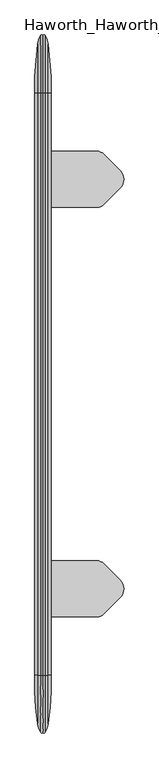
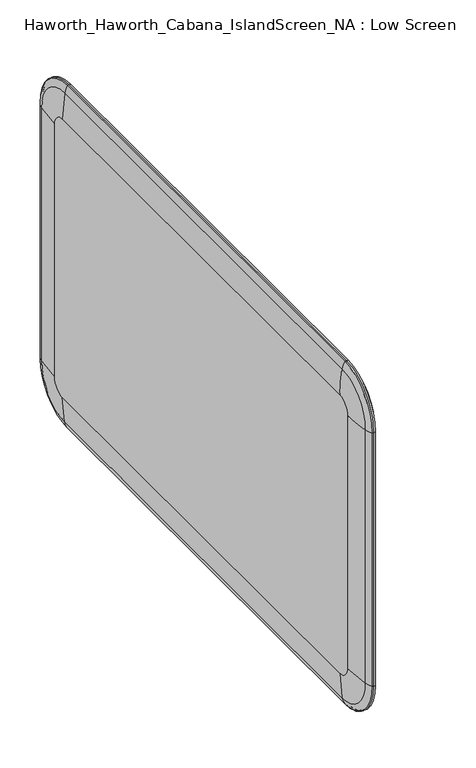
"""IFC4 building model written with IfcOpenShell, lengths in millimetres: furniture geometry, Haworth_Haworth_Cabana_IslandScreen_NA : Low Screen."""

from ifc_helpers import new_model, si_unit, point, frame, frame_2d, origin, place, context, project, spatial, polyline, circle_curve, ellipse_curve, trimmed, segment, composite_curve, outline, extrude, source, transform, mapped, element, save
from ifc_brep_helpers import plane_surface, cylinder_surface, revolved_surface, advanced_brep


def haworth_haworth_cabana_islandscreen_na_low_screen_861580ec(model_context):
    return source(origin(), model_context, "Body", "SolidModel", [
        extrude(outline(composite_curve([segment(polyline([(406.3007813, 779.0924527), (406.3007813, 889.0924245), (512.8600267, 889.0924245)]), True, "CONTINUOUS"), segment(trimmed(circle_curve(frame_2d((512.8600267, 870.0424245)), 19.05), [point((512.8600267, 889.0924245))], [point((526.3304183, 883.5128013))], False, "CARTESIAN"), True, "CONTINUOUS"), segment(polyline([(526.3304183, 883.5128013), (558.9128097, 850.9303744)]), True, "CONTINUOUS"), segment(trimmed(circle_curve(frame_2d((542.0748202, 834.0924033)), 23.8125), [point((558.9128097, 850.9303744))], [point((558.9127913, 817.2544139))], False, "CARTESIAN"), True, "CONTINUOUS"), segment(polyline([(558.9127913, 817.2544139), (526.330403, 784.6720612)]), True, "CONTINUOUS"), segment(trimmed(circle_curve(frame_2d((512.8600261, 798.1424527)), 19.05), [point((526.330403, 784.6720612))], [point((512.8600261, 779.0924527))], False, "CARTESIAN"), True, "CONTINUOUS"), segment(polyline([(512.8600261, 779.0924527), (406.3007813, 779.0924527)]), True, "CONTINUOUS")], self_intersect=False)), frame((0.0, 0.0, 247.6767607), z_axis=(0.0, 0.0, 1.0), x_axis=(1.0, 0.0, 0.0)), (0.0, 0.0, 1.0), 4.5499948),
        extrude(outline(composite_curve([segment(polyline([(406.3007813, 84.5075473), (512.8600261, 84.5075473)]), True, "CONTINUOUS"), segment(trimmed(circle_curve(frame_2d((512.8600261, 65.4575473)), 19.05), [point((512.8600261, 84.5075473))], [point((526.330403, 78.9279388))], False, "CARTESIAN"), True, "CONTINUOUS"), segment(polyline([(526.330403, 78.9279388), (558.9127913, 46.3455861)]), True, "CONTINUOUS"), segment(trimmed(circle_curve(frame_2d((542.0748202, 29.5075967)), 23.8125), [point((558.9127913, 46.3455861))], [point((558.9128097, 12.6696256))], False, "CARTESIAN"), True, "CONTINUOUS"), segment(polyline([(558.9128097, 12.6696256), (526.3304183, -19.9128013)]), True, "CONTINUOUS"), segment(trimmed(circle_curve(frame_2d((512.8600267, -6.4424245)), 19.05), [point((526.3304183, -19.9128013))], [point((512.8600267, -25.4924245))], False, "CARTESIAN"), True, "CONTINUOUS"), segment(polyline([(512.8600267, -25.4924245), (406.3007813, -25.4924245), (406.3007813, 84.5075473)]), True, "CONTINUOUS")], self_intersect=False)), frame((0.0, 0.0, 247.6767607), z_axis=(0.0, 0.0, 1.0), x_axis=(1.0, 0.0, 0.0)), (0.0, 0.0, 1.0), 4.5499948),
        advanced_brep(
        [(422.2032436, -140.49375, 321.8309887), (422.2032436, 1004.09375, 321.8309887), (422.2032436, 1035.4815113, 353.21875), (422.2032436, 1035.4815113, 989.80625), (422.2032436, 1004.09375, 1021.1940113), (422.2032436, -140.49375, 1021.1940113), (422.2032436, -171.8815113, 989.80625), (422.2032436, -171.8815113, 353.21875), (390.3983189, 1004.09375, 321.8309887), (390.3983189, -140.49375, 321.8309887), (390.3983189, -171.8815113, 353.21875), (390.3983189, -171.8815113, 989.80625), (390.3983189, -140.49375, 1021.1940113), (390.3983189, 1004.09375, 1021.1940113), (390.3983189, 1035.4815113, 989.80625), (390.3983189, 1035.4815113, 353.21875), (395.8208236, -140.49375, 258.0828687), (395.8208236, 1004.09375, 258.0828687), (402.2147454, 1004.09375, 240.8241155), (402.2147454, -140.49375, 240.8241155), (406.3007813, 1004.09375, 241.205612), (406.3007813, -140.49375, 241.205612), (410.3868171, 1004.09375, 240.8241156), (410.3868171, -140.49375, 240.8241156), (416.7807379, 1004.09375, 258.0828662), (416.7807379, -140.49375, 258.0828662), (395.8208236, -235.6296313, 989.80625), (395.8208236, -235.6296313, 353.21875), (402.2147454, -252.8883845, 353.21875), (402.2147454, -252.8883845, 989.80625), (406.3007813, -252.506888, 353.21875), (406.3007813, -252.506888, 989.80625), (410.3868171, -252.8883844, 353.21875), (410.3868171, -252.8883844, 989.80625), (416.7807379, -235.6296338, 353.21875), (416.7807379, -235.6296338, 989.80625), (395.8208236, 1099.2296313, 353.21875), (402.2147454, 1116.4883845, 353.21875), (406.3007813, 1116.106888, 353.21875), (410.3868171, 1116.4883844, 353.21875), (416.7807379, 1099.2296338, 353.21875), (395.8208236, 1099.2296313, 989.80625), (402.2147454, 1116.4883845, 989.80625), (406.3007813, 1116.106888, 989.80625), (410.3868171, 1116.4883844, 989.80625), (416.7807379, 1099.2296338, 989.80625), (395.8208236, 1004.09375, 1084.9421313), (402.2147454, 1004.09375, 1102.2008845), (406.3007813, 1004.09375, 1101.819388), (410.3868171, 1004.09375, 1102.2008844), (416.7807379, 1004.09375, 1084.9421338), (395.8208236, -140.49375, 1084.9421313), (402.2147454, -140.49375, 1102.2008845), (406.3007813, -140.49375, 1101.819388), (410.3868171, -140.49375, 1102.2008844), (416.7807379, -140.49375, 1084.9421338)],
        [
            (0, 1),
            (1, 2, circle_curve(frame((422.2032436, 1004.09375, 353.21875), z_axis=(1.0, 0.0, 0.0), x_axis=(0.0, 0.0, -1.0)), 31.3877613)),
            (2, 3),
            (3, 4, circle_curve(frame((422.2032436, 1004.09375, 989.80625), z_axis=(1.0, 0.0, 0.0), x_axis=(0.0, 1.0, 0.0)), 31.3877613)),
            (4, 5),
            (5, 6, circle_curve(frame((422.2032436, -140.49375, 989.80625), z_axis=(1.0, 0.0, 0.0), x_axis=(0.0, 0.0, 1.0)), 31.3877613)),
            (6, 7),
            (7, 0, circle_curve(frame((422.2032436, -140.49375, 353.21875), z_axis=(1.0, 0.0, 0.0), x_axis=(0.0, -1.0, 0.0)), 31.3877613)),
            (8, 9),
            (9, 10, circle_curve(frame((390.3983189, -140.49375, 353.21875), z_axis=(-1.0, 0.0, 0.0), x_axis=(0.0, -1.0, 0.0)), 31.3877613)),
            (10, 11),
            (11, 12, circle_curve(frame((390.3983189, -140.49375, 989.80625), z_axis=(-1.0, 0.0, 0.0), x_axis=(0.0, 0.0, 1.0)), 31.3877613)),
            (12, 13),
            (13, 14, circle_curve(frame((390.3983189, 1004.09375, 989.80625), z_axis=(-1.0, 0.0, 0.0), x_axis=(0.0, 1.0, 0.0)), 31.3877613)),
            (14, 15),
            (15, 8, circle_curve(frame((390.3983189, 1004.09375, 353.21875), z_axis=(-1.0, 0.0, 0.0), x_axis=(0.0, 0.0, -1.0)), 31.3877613)),
            (16, 9, circle_curve(frame((767.8278137, -140.49375, 321.8309887), z_axis=(0.0, 1.0, 0.0), x_axis=(1.0, 0.0, 0.0)), 377.4294948)),
            (8, 17, circle_curve(frame((767.8278137, 1004.09375, 321.8309887), z_axis=(0.0, -1.0, 0.0), x_axis=(1.0, 0.0, 0.0)), 377.4294948)),
            (17, 16),
            (17, 18, circle_curve(frame((445.1086371, 1004.09375, 266.5289612), z_axis=(0.0, -1.0, 0.0), x_axis=(1.0, 0.0, 0.0)), 50.00625)),
            (18, 19),
            (19, 16, circle_curve(frame((445.1086371, -140.49375, 266.5289612), z_axis=(0.0, 1.0, 0.0), x_axis=(1.0, 0.0, 0.0)), 50.00625)),
            (18, 20, circle_curve(frame((404.1663769, 1004.09375, 241.9936617), z_axis=(0.0, -1.0, 0.0), x_axis=(1.0, 0.0, 0.0)), 2.2752371)),
            (20, 21),
            (21, 19, circle_curve(frame((404.1663769, -140.49375, 241.9936617), z_axis=(0.0, 1.0, 0.0), x_axis=(1.0, 0.0, 0.0)), 2.2752371)),
            (20, 22, circle_curve(frame((408.4351856, 1004.09375, 241.9936617), z_axis=(0.0, -1.0, 0.0), x_axis=(1.0, 0.0, 0.0)), 2.2752371)),
            (22, 23),
            (23, 21, circle_curve(frame((408.4351856, -140.49375, 241.9936617), z_axis=(0.0, 1.0, 0.0), x_axis=(1.0, 0.0, 0.0)), 2.2752371)),
            (22, 24, circle_curve(frame((367.4929246, 1004.09375, 266.5289599), z_axis=(0.0, -1.0, 0.0), x_axis=(1.0, 0.0, 0.0)), 50.00625)),
            (24, 25),
            (25, 23, circle_curve(frame((367.4929246, -140.49375, 266.5289599), z_axis=(0.0, 1.0, 0.0), x_axis=(1.0, 0.0, 0.0)), 50.00625)),
            (24, 1, circle_curve(frame((44.7737879, 1004.09375, 321.8309887), z_axis=(0.0, -1.0, 0.0), x_axis=(1.0, 0.0, 0.0)), 377.4294557)),
            (0, 25, circle_curve(frame((44.7737879, -140.49375, 321.8309887), z_axis=(0.0, 1.0, 0.0), x_axis=(1.0, 0.0, 0.0)), 377.4294557)),
            (26, 11, circle_curve(frame((767.8278137, -171.8815113, 989.80625), z_axis=(0.0, 0.0, -1.0), x_axis=(1.0, 0.0, 0.0)), 377.4294948)),
            (10, 27, circle_curve(frame((767.8278137, -171.8815113, 353.21875), z_axis=(0.0, 0.0, 1.0), x_axis=(1.0, 0.0, 0.0)), 377.4294948)),
            (27, 26),
            (27, 28, circle_curve(frame((445.1086371, -227.1835388, 353.21875), z_axis=(0.0, 0.0, 1.0), x_axis=(1.0, 0.0, 0.0)), 50.00625)),
            (28, 29),
            (29, 26, circle_curve(frame((445.1086371, -227.1835388, 989.80625), z_axis=(0.0, 0.0, -1.0), x_axis=(1.0, 0.0, 0.0)), 50.00625)),
            (28, 30, circle_curve(frame((404.1663769, -251.7188383, 353.21875), z_axis=(0.0, 0.0, 1.0), x_axis=(1.0, 0.0, 0.0)), 2.2752371)),
            (30, 31),
            (31, 29, circle_curve(frame((404.1663769, -251.7188383, 989.80625), z_axis=(0.0, 0.0, -1.0), x_axis=(1.0, 0.0, 0.0)), 2.2752371)),
            (30, 32, circle_curve(frame((408.4351856, -251.7188383, 353.21875), z_axis=(0.0, 0.0, 1.0), x_axis=(1.0, 0.0, 0.0)), 2.2752371)),
            (32, 33),
            (33, 31, circle_curve(frame((408.4351856, -251.7188383, 989.80625), z_axis=(0.0, 0.0, -1.0), x_axis=(1.0, 0.0, 0.0)), 2.2752371)),
            (32, 34, circle_curve(frame((367.4929246, -227.1835401, 353.21875), z_axis=(0.0, 0.0, 1.0), x_axis=(1.0, 0.0, 0.0)), 50.00625)),
            (34, 35),
            (35, 33, circle_curve(frame((367.4929246, -227.1835401, 989.80625), z_axis=(0.0, 0.0, -1.0), x_axis=(1.0, 0.0, 0.0)), 50.00625)),
            (34, 7, circle_curve(frame((44.7737879, -171.8815113, 353.21875), z_axis=(0.0, 0.0, 1.0), x_axis=(1.0, 0.0, 0.0)), 377.4294557)),
            (6, 35, circle_curve(frame((44.7737879, -171.8815113, 989.80625), z_axis=(0.0, 0.0, -1.0), x_axis=(1.0, 0.0, 0.0)), 377.4294557)),
            (16, 27, circle_curve(frame((395.8208236, -140.49375, 353.21875), z_axis=(-1.0, 0.0, 0.0), x_axis=(0.0, -1.0, 0.0)), 95.1358813)),
            (19, 28, circle_curve(frame((402.2147454, -140.49375, 353.21875), z_axis=(-1.0, 0.0, 0.0), x_axis=(0.0, -1.0, 0.0)), 112.3946345)),
            (21, 30, circle_curve(frame((406.3007813, -140.49375, 353.21875), z_axis=(-1.0, 0.0, 0.0), x_axis=(0.0, -1.0, 0.0)), 112.013138)),
            (23, 32, circle_curve(frame((410.3868171, -140.49375, 353.21875), z_axis=(-1.0, 0.0, 0.0), x_axis=(0.0, -1.0, 0.0)), 112.3946344)),
            (25, 34, circle_curve(frame((416.7807379, -140.49375, 353.21875), z_axis=(-1.0, 0.0, 0.0), x_axis=(0.0, -1.0, 0.0)), 95.1358838)),
            (15, 36, circle_curve(frame((767.8278137, 1035.4815113, 353.21875), z_axis=(0.0, 0.0, -1.0), x_axis=(1.0, 0.0, 0.0)), 377.4294948)),
            (36, 17, circle_curve(frame((395.8208236, 1004.09375, 353.21875), z_axis=(-1.0, 0.0, 0.0), x_axis=(0.0, 0.0, -1.0)), 95.1358813)),
            (36, 37, circle_curve(frame((445.1086371, 1090.7835388, 353.21875), z_axis=(0.0, 0.0, -1.0), x_axis=(1.0, 0.0, 0.0)), 50.00625)),
            (37, 18, circle_curve(frame((402.2147454, 1004.09375, 353.21875), z_axis=(-1.0, 0.0, 0.0), x_axis=(0.0, 0.0, -1.0)), 112.3946345)),
            (37, 38, circle_curve(frame((404.1663769, 1115.3188383, 353.21875), z_axis=(0.0, 0.0, -1.0), x_axis=(1.0, 0.0, 0.0)), 2.2752371)),
            (38, 20, circle_curve(frame((406.3007813, 1004.09375, 353.21875), z_axis=(-1.0, 0.0, 0.0), x_axis=(0.0, 0.0, -1.0)), 112.013138)),
            (38, 39, circle_curve(frame((408.4351856, 1115.3188383, 353.21875), z_axis=(0.0, 0.0, -1.0), x_axis=(1.0, 0.0, 0.0)), 2.2752371)),
            (39, 22, circle_curve(frame((410.3868171, 1004.09375, 353.21875), z_axis=(-1.0, 0.0, 0.0), x_axis=(0.0, 0.0, -1.0)), 112.3946344)),
            (39, 40, circle_curve(frame((367.4929246, 1090.7835401, 353.21875), z_axis=(0.0, 0.0, -1.0), x_axis=(1.0, 0.0, 0.0)), 50.00625)),
            (40, 24, circle_curve(frame((416.7807379, 1004.09375, 353.21875), z_axis=(-1.0, 0.0, 0.0), x_axis=(0.0, 0.0, -1.0)), 95.1358838)),
            (40, 2, circle_curve(frame((44.7737879, 1035.4815113, 353.21875), z_axis=(0.0, 0.0, -1.0), x_axis=(1.0, 0.0, 0.0)), 377.4294557)),
            (14, 41, circle_curve(frame((767.8278137, 1035.4815113, 989.80625), z_axis=(0.0, 0.0, -1.0), x_axis=(1.0, 0.0, 0.0)), 377.4294948)),
            (41, 36),
            (41, 42, circle_curve(frame((445.1086371, 1090.7835388, 989.80625), z_axis=(0.0, 0.0, -1.0), x_axis=(1.0, 0.0, 0.0)), 50.00625)),
            (42, 37),
            (42, 43, circle_curve(frame((404.1663769, 1115.3188383, 989.80625), z_axis=(0.0, 0.0, -1.0), x_axis=(1.0, 0.0, 0.0)), 2.2752371)),
            (43, 38),
            (43, 44, circle_curve(frame((408.4351856, 1115.3188383, 989.80625), z_axis=(0.0, 0.0, -1.0), x_axis=(1.0, 0.0, 0.0)), 2.2752371)),
            (44, 39),
            (44, 45, circle_curve(frame((367.4929246, 1090.7835401, 989.80625), z_axis=(0.0, 0.0, -1.0), x_axis=(1.0, 0.0, 0.0)), 50.00625)),
            (45, 40),
            (45, 3, circle_curve(frame((44.7737879, 1035.4815113, 989.80625), z_axis=(0.0, 0.0, -1.0), x_axis=(1.0, 0.0, 0.0)), 377.4294557)),
            (13, 46, circle_curve(frame((767.8278137, 1004.09375, 1021.1940113), z_axis=(0.0, 1.0, 0.0), x_axis=(1.0, 0.0, 0.0)), 377.4294948)),
            (46, 41, circle_curve(frame((395.8208236, 1004.09375, 989.80625), z_axis=(-1.0, 0.0, 0.0), x_axis=(0.0, 1.0, 0.0)), 95.1358813)),
            (46, 47, circle_curve(frame((445.1086371, 1004.09375, 1076.4960388), z_axis=(0.0, 1.0, 0.0), x_axis=(1.0, 0.0, 0.0)), 50.00625)),
            (47, 42, circle_curve(frame((402.2147454, 1004.09375, 989.80625), z_axis=(-1.0, 0.0, 0.0), x_axis=(0.0, 1.0, 0.0)), 112.3946345)),
            (47, 48, circle_curve(frame((404.1663769, 1004.09375, 1101.0313383), z_axis=(0.0, 1.0, 0.0), x_axis=(1.0, 0.0, 0.0)), 2.2752371)),
            (48, 43, circle_curve(frame((406.3007813, 1004.09375, 989.80625), z_axis=(-1.0, 0.0, 0.0), x_axis=(0.0, 1.0, 0.0)), 112.013138)),
            (48, 49, circle_curve(frame((408.4351856, 1004.09375, 1101.0313383), z_axis=(0.0, 1.0, 0.0), x_axis=(1.0, 0.0, 0.0)), 2.2752371)),
            (49, 44, circle_curve(frame((410.3868171, 1004.09375, 989.80625), z_axis=(-1.0, 0.0, 0.0), x_axis=(0.0, 1.0, 0.0)), 112.3946344)),
            (49, 50, circle_curve(frame((367.4929246, 1004.09375, 1076.4960401), z_axis=(0.0, 1.0, 0.0), x_axis=(1.0, 0.0, 0.0)), 50.00625)),
            (50, 45, circle_curve(frame((416.7807379, 1004.09375, 989.80625), z_axis=(-1.0, 0.0, 0.0), x_axis=(0.0, 1.0, 0.0)), 95.1358838)),
            (50, 4, circle_curve(frame((44.7737879, 1004.09375, 1021.1940113), z_axis=(0.0, 1.0, 0.0), x_axis=(1.0, 0.0, 0.0)), 377.4294557)),
            (12, 51, circle_curve(frame((767.8278137, -140.49375, 1021.1940113), z_axis=(0.0, 1.0, 0.0), x_axis=(1.0, 0.0, 0.0)), 377.4294948)),
            (51, 46),
            (51, 52, circle_curve(frame((445.1086371, -140.49375, 1076.4960388), z_axis=(0.0, 1.0, 0.0), x_axis=(1.0, 0.0, 0.0)), 50.00625)),
            (52, 47),
            (52, 53, circle_curve(frame((404.1663769, -140.49375, 1101.0313383), z_axis=(0.0, 1.0, 0.0), x_axis=(1.0, 0.0, 0.0)), 2.2752371)),
            (53, 48),
            (53, 54, circle_curve(frame((408.4351856, -140.49375, 1101.0313383), z_axis=(0.0, 1.0, 0.0), x_axis=(1.0, 0.0, 0.0)), 2.2752371)),
            (54, 49),
            (54, 55, circle_curve(frame((367.4929246, -140.49375, 1076.4960401), z_axis=(0.0, 1.0, 0.0), x_axis=(1.0, 0.0, 0.0)), 50.00625)),
            (55, 50),
            (55, 5, circle_curve(frame((44.7737879, -140.49375, 1021.1940113), z_axis=(0.0, 1.0, 0.0), x_axis=(1.0, 0.0, 0.0)), 377.4294557)),
            (26, 51, circle_curve(frame((395.8208236, -140.49375, 989.80625), z_axis=(-1.0, 0.0, 0.0), x_axis=(0.0, 0.0, 1.0)), 95.1358813)),
            (29, 52, circle_curve(frame((402.2147454, -140.49375, 989.80625), z_axis=(-1.0, 0.0, 0.0), x_axis=(0.0, 0.0, 1.0)), 112.3946345)),
            (31, 53, circle_curve(frame((406.3007813, -140.49375, 989.80625), z_axis=(-1.0, 0.0, 0.0), x_axis=(0.0, 0.0, 1.0)), 112.013138)),
            (33, 54, circle_curve(frame((410.3868171, -140.49375, 989.80625), z_axis=(-1.0, 0.0, 0.0), x_axis=(0.0, 0.0, 1.0)), 112.3946344)),
            (35, 55, circle_curve(frame((416.7807379, -140.49375, 989.80625), z_axis=(-1.0, 0.0, 0.0), x_axis=(0.0, 0.0, 1.0)), 95.1358838)),
        ],
        [
            plane_surface(frame((422.2032436, 1029.49375, 353.21875), z_axis=(1.0, 0.0, 0.0), x_axis=(0.0, 0.0, 1.0))),
            plane_surface(frame((390.3983189, 1029.49375, 353.21875), z_axis=(-1.0, 0.0, 0.0), x_axis=(0.0, 0.0, -1.0))),
            cylinder_surface(frame((767.8278137, -140.49375, 321.8309887), z_axis=(0.0, -1.0, 0.0), x_axis=(1.0, 0.0, 0.0)), 377.4294948),
            cylinder_surface(frame((445.1086371, -140.49375, 266.5289612), z_axis=(0.0, -1.0, 0.0), x_axis=(1.0, 0.0, 0.0)), 50.00625),
            cylinder_surface(frame((404.1663769, -140.49375, 241.9936617), z_axis=(0.0, -1.0, 0.0), x_axis=(1.0, 0.0, 0.0)), 2.2752371),
            cylinder_surface(frame((408.4351856, -140.49375, 241.9936617), z_axis=(0.0, -1.0, 0.0), x_axis=(1.0, 0.0, 0.0)), 2.2752371),
            cylinder_surface(frame((367.4929246, -140.49375, 266.5289599), z_axis=(0.0, -1.0, 0.0), x_axis=(1.0, 0.0, 0.0)), 50.00625),
            cylinder_surface(frame((44.7737879, -140.49375, 321.8309887), z_axis=(0.0, -1.0, 0.0), x_axis=(1.0, 0.0, 0.0)), 377.4294557),
            cylinder_surface(frame((767.8278137, -171.8815113, 989.80625), z_axis=(0.0, 0.0, 1.0), x_axis=(1.0, 0.0, 0.0)), 377.4294948),
            cylinder_surface(frame((445.1086371, -227.1835388, 989.80625), z_axis=(0.0, 0.0, 1.0), x_axis=(1.0, 0.0, 0.0)), 50.00625),
            cylinder_surface(frame((404.1663769, -251.7188383, 989.80625), z_axis=(0.0, 0.0, 1.0), x_axis=(1.0, 0.0, 0.0)), 2.2752371),
            cylinder_surface(frame((408.4351856, -251.7188383, 989.80625), z_axis=(0.0, 0.0, 1.0), x_axis=(1.0, 0.0, 0.0)), 2.2752371),
            cylinder_surface(frame((367.4929246, -227.1835401, 989.80625), z_axis=(0.0, 0.0, 1.0), x_axis=(1.0, 0.0, 0.0)), 50.00625),
            cylinder_surface(frame((44.7737879, -171.8815113, 989.80625), z_axis=(0.0, 0.0, 1.0), x_axis=(1.0, 0.0, 0.0)), 377.4294557),
            revolved_surface(trimmed(ellipse_curve(frame((767.8278137, -171.8815113, 353.21875), z_axis=(0.0, 0.0, 1.0), x_axis=(1.0, 0.0, 0.0)), 377.4294948, 377.4294948), [point((390.3983189, -171.8815113, 353.21875))], [point((395.8208236, -235.6296313, 353.21875))], True, "CARTESIAN"), (422.2032436, -140.49375, 353.21875), (1.0, 0.0, 0.0)),
            revolved_surface(trimmed(ellipse_curve(frame((445.1086371, -227.1835388, 353.21875), z_axis=(0.0, 0.0, 1.0), x_axis=(1.0, 0.0, 0.0)), 50.00625, 50.00625), [point((395.8208236, -235.6296313, 353.21875))], [point((402.2147454, -252.8883845, 353.21875))], True, "CARTESIAN"), (422.2032436, -140.49375, 353.21875), (1.0, 0.0, 0.0)),
            revolved_surface(trimmed(ellipse_curve(frame((404.1663769, -251.7188383, 353.21875), z_axis=(0.0, 0.0, 1.0), x_axis=(1.0, 0.0, 0.0)), 2.2752371, 2.2752371), [point((402.2147454, -252.8883845, 353.21875))], [point((406.3007813, -252.506888, 353.21875))], True, "CARTESIAN"), (422.2032436, -140.49375, 353.21875), (1.0, 0.0, 0.0)),
            revolved_surface(trimmed(ellipse_curve(frame((408.4351856, -251.7188383, 353.21875), z_axis=(0.0, 0.0, 1.0), x_axis=(1.0, 0.0, 0.0)), 2.2752371, 2.2752371), [point((406.3007813, -252.506888, 353.21875))], [point((410.3868171, -252.8883844, 353.21875))], True, "CARTESIAN"), (422.2032436, -140.49375, 353.21875), (1.0, 0.0, 0.0)),
            revolved_surface(trimmed(ellipse_curve(frame((367.4929246, -227.1835401, 353.21875), z_axis=(0.0, 0.0, 1.0), x_axis=(1.0, 0.0, 0.0)), 50.00625, 50.00625), [point((410.3868171, -252.8883844, 353.21875))], [point((416.7807379, -235.6296338, 353.21875))], True, "CARTESIAN"), (422.2032436, -140.49375, 353.21875), (1.0, 0.0, 0.0)),
            revolved_surface(trimmed(ellipse_curve(frame((44.7737879, -171.8815113, 353.21875), z_axis=(0.0, 0.0, 1.0), x_axis=(1.0, 0.0, 0.0)), 377.4294557, 377.4294557), [point((416.7807379, -235.6296338, 353.21875))], [point((422.2032436, -171.8815113, 353.21875))], True, "CARTESIAN"), (422.2032436, -140.49375, 353.21875), (1.0, 0.0, 0.0)),
            revolved_surface(trimmed(ellipse_curve(frame((767.8278137, 1004.09375, 321.8309887), z_axis=(0.0, -1.0, 0.0), x_axis=(1.0, 0.0, 0.0)), 377.4294948, 377.4294948), [point((390.3983189, 1004.09375, 321.8309887))], [point((395.8208236, 1004.09375, 258.0828687))], True, "CARTESIAN"), (422.2032436, 1004.09375, 353.21875), (1.0, 0.0, 0.0)),
            revolved_surface(trimmed(ellipse_curve(frame((445.1086371, 1004.09375, 266.5289612), z_axis=(0.0, -1.0, 0.0), x_axis=(1.0, 0.0, 0.0)), 50.00625, 50.00625), [point((395.8208236, 1004.09375, 258.0828687))], [point((402.2147454, 1004.09375, 240.8241155))], True, "CARTESIAN"), (422.2032436, 1004.09375, 353.21875), (1.0, 0.0, 0.0)),
            revolved_surface(trimmed(ellipse_curve(frame((404.1663769, 1004.09375, 241.9936617), z_axis=(0.0, -1.0, 0.0), x_axis=(1.0, 0.0, 0.0)), 2.2752371, 2.2752371), [point((402.2147454, 1004.09375, 240.8241155))], [point((406.3007813, 1004.09375, 241.205612))], True, "CARTESIAN"), (422.2032436, 1004.09375, 353.21875), (1.0, 0.0, 0.0)),
            revolved_surface(trimmed(ellipse_curve(frame((408.4351856, 1004.09375, 241.9936617), z_axis=(0.0, -1.0, 0.0), x_axis=(1.0, 0.0, 0.0)), 2.2752371, 2.2752371), [point((406.3007813, 1004.09375, 241.205612))], [point((410.3868171, 1004.09375, 240.8241156))], True, "CARTESIAN"), (422.2032436, 1004.09375, 353.21875), (1.0, 0.0, 0.0)),
            revolved_surface(trimmed(ellipse_curve(frame((367.4929246, 1004.09375, 266.5289599), z_axis=(0.0, -1.0, 0.0), x_axis=(1.0, 0.0, 0.0)), 50.00625, 50.00625), [point((410.3868171, 1004.09375, 240.8241156))], [point((416.7807379, 1004.09375, 258.0828662))], True, "CARTESIAN"), (422.2032436, 1004.09375, 353.21875), (1.0, 0.0, 0.0)),
            revolved_surface(trimmed(ellipse_curve(frame((44.7737879, 1004.09375, 321.8309887), z_axis=(0.0, -1.0, 0.0), x_axis=(1.0, 0.0, 0.0)), 377.4294557, 377.4294557), [point((416.7807379, 1004.09375, 258.0828662))], [point((422.2032436, 1004.09375, 321.8309887))], True, "CARTESIAN"), (422.2032436, 1004.09375, 353.21875), (1.0, 0.0, 0.0)),
            cylinder_surface(frame((767.8278137, 1035.4815113, 353.21875), z_axis=(0.0, 0.0, -1.0), x_axis=(1.0, 0.0, 0.0)), 377.4294948),
            cylinder_surface(frame((445.1086371, 1090.7835388, 353.21875), z_axis=(0.0, 0.0, -1.0), x_axis=(1.0, 0.0, 0.0)), 50.00625),
            cylinder_surface(frame((404.1663769, 1115.3188383, 353.21875), z_axis=(0.0, 0.0, -1.0), x_axis=(1.0, 0.0, 0.0)), 2.2752371),
            cylinder_surface(frame((408.4351856, 1115.3188383, 353.21875), z_axis=(0.0, 0.0, -1.0), x_axis=(1.0, 0.0, 0.0)), 2.2752371),
            cylinder_surface(frame((367.4929246, 1090.7835401, 353.21875), z_axis=(0.0, 0.0, -1.0), x_axis=(1.0, 0.0, 0.0)), 50.00625),
            cylinder_surface(frame((44.7737879, 1035.4815113, 353.21875), z_axis=(0.0, 0.0, -1.0), x_axis=(1.0, 0.0, 0.0)), 377.4294557),
            revolved_surface(trimmed(ellipse_curve(frame((767.8278137, 1035.4815113, 989.80625), z_axis=(0.0, 0.0, -1.0), x_axis=(1.0, 0.0, 0.0)), 377.4294948, 377.4294948), [point((390.3983189, 1035.4815113, 989.80625))], [point((395.8208236, 1099.2296313, 989.80625))], True, "CARTESIAN"), (422.2032436, 1004.09375, 989.80625), (1.0, 0.0, 0.0)),
            revolved_surface(trimmed(ellipse_curve(frame((445.1086371, 1090.7835388, 989.80625), z_axis=(0.0, 0.0, -1.0), x_axis=(1.0, 0.0, 0.0)), 50.00625, 50.00625), [point((395.8208236, 1099.2296313, 989.80625))], [point((402.2147454, 1116.4883845, 989.80625))], True, "CARTESIAN"), (422.2032436, 1004.09375, 989.80625), (1.0, 0.0, 0.0)),
            revolved_surface(trimmed(ellipse_curve(frame((404.1663769, 1115.3188383, 989.80625), z_axis=(0.0, 0.0, -1.0), x_axis=(1.0, 0.0, 0.0)), 2.2752371, 2.2752371), [point((402.2147454, 1116.4883845, 989.80625))], [point((406.3007813, 1116.106888, 989.80625))], True, "CARTESIAN"), (422.2032436, 1004.09375, 989.80625), (1.0, 0.0, 0.0)),
            revolved_surface(trimmed(ellipse_curve(frame((408.4351856, 1115.3188383, 989.80625), z_axis=(0.0, 0.0, -1.0), x_axis=(1.0, 0.0, 0.0)), 2.2752371, 2.2752371), [point((406.3007813, 1116.106888, 989.80625))], [point((410.3868171, 1116.4883844, 989.80625))], True, "CARTESIAN"), (422.2032436, 1004.09375, 989.80625), (1.0, 0.0, 0.0)),
            revolved_surface(trimmed(ellipse_curve(frame((367.4929246, 1090.7835401, 989.80625), z_axis=(0.0, 0.0, -1.0), x_axis=(1.0, 0.0, 0.0)), 50.00625, 50.00625), [point((410.3868171, 1116.4883844, 989.80625))], [point((416.7807379, 1099.2296338, 989.80625))], True, "CARTESIAN"), (422.2032436, 1004.09375, 989.80625), (1.0, 0.0, 0.0)),
            revolved_surface(trimmed(ellipse_curve(frame((44.7737879, 1035.4815113, 989.80625), z_axis=(0.0, 0.0, -1.0), x_axis=(1.0, 0.0, 0.0)), 377.4294557, 377.4294557), [point((416.7807379, 1099.2296338, 989.80625))], [point((422.2032436, 1035.4815113, 989.80625))], True, "CARTESIAN"), (422.2032436, 1004.09375, 989.80625), (1.0, 0.0, 0.0)),
            cylinder_surface(frame((767.8278137, 1004.09375, 1021.1940113), z_axis=(0.0, 1.0, 0.0), x_axis=(1.0, 0.0, 0.0)), 377.4294948),
            cylinder_surface(frame((445.1086371, 1004.09375, 1076.4960388), z_axis=(0.0, 1.0, 0.0), x_axis=(1.0, 0.0, 0.0)), 50.00625),
            cylinder_surface(frame((404.1663769, 1004.09375, 1101.0313383), z_axis=(0.0, 1.0, 0.0), x_axis=(1.0, 0.0, 0.0)), 2.2752371),
            cylinder_surface(frame((408.4351856, 1004.09375, 1101.0313383), z_axis=(0.0, 1.0, 0.0), x_axis=(1.0, 0.0, 0.0)), 2.2752371),
            cylinder_surface(frame((367.4929246, 1004.09375, 1076.4960401), z_axis=(0.0, 1.0, 0.0), x_axis=(1.0, 0.0, 0.0)), 50.00625),
            cylinder_surface(frame((44.7737879, 1004.09375, 1021.1940113), z_axis=(0.0, 1.0, 0.0), x_axis=(1.0, 0.0, 0.0)), 377.4294557),
            revolved_surface(trimmed(ellipse_curve(frame((767.8278137, -140.49375, 1021.1940113), z_axis=(0.0, 1.0, 0.0), x_axis=(1.0, 0.0, 0.0)), 377.4294948, 377.4294948), [point((390.3983189, -140.49375, 1021.1940113))], [point((395.8208236, -140.49375, 1084.9421313))], True, "CARTESIAN"), (422.2032436, -140.49375, 989.80625), (1.0, 0.0, 0.0)),
            revolved_surface(trimmed(ellipse_curve(frame((445.1086371, -140.49375, 1076.4960388), z_axis=(0.0, 1.0, 0.0), x_axis=(1.0, 0.0, 0.0)), 50.00625, 50.00625), [point((395.8208236, -140.49375, 1084.9421313))], [point((402.2147454, -140.49375, 1102.2008845))], True, "CARTESIAN"), (422.2032436, -140.49375, 989.80625), (1.0, 0.0, 0.0)),
            revolved_surface(trimmed(ellipse_curve(frame((404.1663769, -140.49375, 1101.0313383), z_axis=(0.0, 1.0, 0.0), x_axis=(1.0, 0.0, 0.0)), 2.2752371, 2.2752371), [point((402.2147454, -140.49375, 1102.2008845))], [point((406.3007813, -140.49375, 1101.819388))], True, "CARTESIAN"), (422.2032436, -140.49375, 989.80625), (1.0, 0.0, 0.0)),
            revolved_surface(trimmed(ellipse_curve(frame((408.4351856, -140.49375, 1101.0313383), z_axis=(0.0, 1.0, 0.0), x_axis=(1.0, 0.0, 0.0)), 2.2752371, 2.2752371), [point((406.3007813, -140.49375, 1101.819388))], [point((410.3868171, -140.49375, 1102.2008844))], True, "CARTESIAN"), (422.2032436, -140.49375, 989.80625), (1.0, 0.0, 0.0)),
            revolved_surface(trimmed(ellipse_curve(frame((367.4929246, -140.49375, 1076.4960401), z_axis=(0.0, 1.0, 0.0), x_axis=(1.0, 0.0, 0.0)), 50.00625, 50.00625), [point((410.3868171, -140.49375, 1102.2008844))], [point((416.7807379, -140.49375, 1084.9421338))], True, "CARTESIAN"), (422.2032436, -140.49375, 989.80625), (1.0, 0.0, 0.0)),
            revolved_surface(trimmed(ellipse_curve(frame((44.7737879, -140.49375, 1021.1940113), z_axis=(0.0, 1.0, 0.0), x_axis=(1.0, 0.0, 0.0)), 377.4294557, 377.4294557), [point((416.7807379, -140.49375, 1084.9421338))], [point((422.2032436, -140.49375, 1021.1940113))], True, "CARTESIAN"), (422.2032436, -140.49375, 989.80625), (1.0, 0.0, 0.0)),
        ],
        [
            (0, [[1, 2, 3, 4, 5, 6, 7, 8]]),
            (1, [[9, 10, 11, 12, 13, 14, 15, 16]]),
            (2, [[17, -9, 18, 19]]),
            (3, [[-19, 20, 21, 22]]),
            (4, [[-21, 23, 24, 25]]),
            (5, [[-24, 26, 27, 28]]),
            (6, [[-27, 29, 30, 31]]),
            (7, [[-30, 32, -1, 33]]),
            (8, [[34, -11, 35, 36]]),
            (9, [[-36, 37, 38, 39]]),
            (10, [[-38, 40, 41, 42]]),
            (11, [[-41, 43, 44, 45]]),
            (12, [[-44, 46, 47, 48]]),
            (13, [[-47, 49, -7, 50]]),
            (14, [[-17, 51, -35, -10]]),
            (15, [[-22, 52, -37, -51]]),
            (16, [[-25, 53, -40, -52]]),
            (17, [[-28, 54, -43, -53]]),
            (18, [[-31, 55, -46, -54]]),
            (19, [[-33, -8, -49, -55]]),
            (20, [[-18, -16, 56, 57]]),
            (21, [[-20, -57, 58, 59]]),
            (22, [[-23, -59, 60, 61]]),
            (23, [[-26, -61, 62, 63]]),
            (24, [[-29, -63, 64, 65]]),
            (25, [[-32, -65, 66, -2]]),
            (26, [[-56, -15, 67, 68]]),
            (27, [[-58, -68, 69, 70]]),
            (28, [[-60, -70, 71, 72]]),
            (29, [[-62, -72, 73, 74]]),
            (30, [[-64, -74, 75, 76]]),
            (31, [[-66, -76, 77, -3]]),
            (32, [[-67, -14, 78, 79]]),
            (33, [[-69, -79, 80, 81]]),
            (34, [[-71, -81, 82, 83]]),
            (35, [[-73, -83, 84, 85]]),
            (36, [[-75, -85, 86, 87]]),
            (37, [[-77, -87, 88, -4]]),
            (38, [[-78, -13, 89, 90]]),
            (39, [[-80, -90, 91, 92]]),
            (40, [[-82, -92, 93, 94]]),
            (41, [[-84, -94, 95, 96]]),
            (42, [[-86, -96, 97, 98]]),
            (43, [[-88, -98, 99, -5]]),
            (44, [[-34, 100, -89, -12]]),
            (45, [[-39, 101, -91, -100]]),
            (46, [[-42, 102, -93, -101]]),
            (47, [[-45, 103, -95, -102]]),
            (48, [[-48, 104, -97, -103]]),
            (49, [[-50, -6, -99, -104]]),
        ],
    ),
    ])


if __name__ == "__main__":
    model = new_model("IFC4")
    model_context = context("Model", 3, world=origin())
    ifc_project = project(units=[si_unit("LENGTHUNIT", "METRE", prefix="MILLI")], contexts=[model_context])
    site = spatial("IfcSite", under=ifc_project)
    building = spatial("IfcBuilding", under=site)
    placement = place(None, origin())
    haworth_haworth_cabana_islandscreen_na_low_screen_shape = haworth_haworth_cabana_islandscreen_na_low_screen_861580ec(model_context)
    element("IfcFurniture", 1, ObjectType="Haworth_Haworth_Cabana_IslandScreen_NA : Low Screen", at=placement, inside=building, context=model_context, shape_type="MappedRepresentation", body=[
        mapped(haworth_haworth_cabana_islandscreen_na_low_screen_shape, transform((0.0, 0.0, 0.0), x_axis=(1.0, 0.0, 0.0), y_axis=(0.0, 1.0, 0.0), z_axis=(0.0, 0.0, 1.0))),
    ])
    save(model, "model.ifc")
